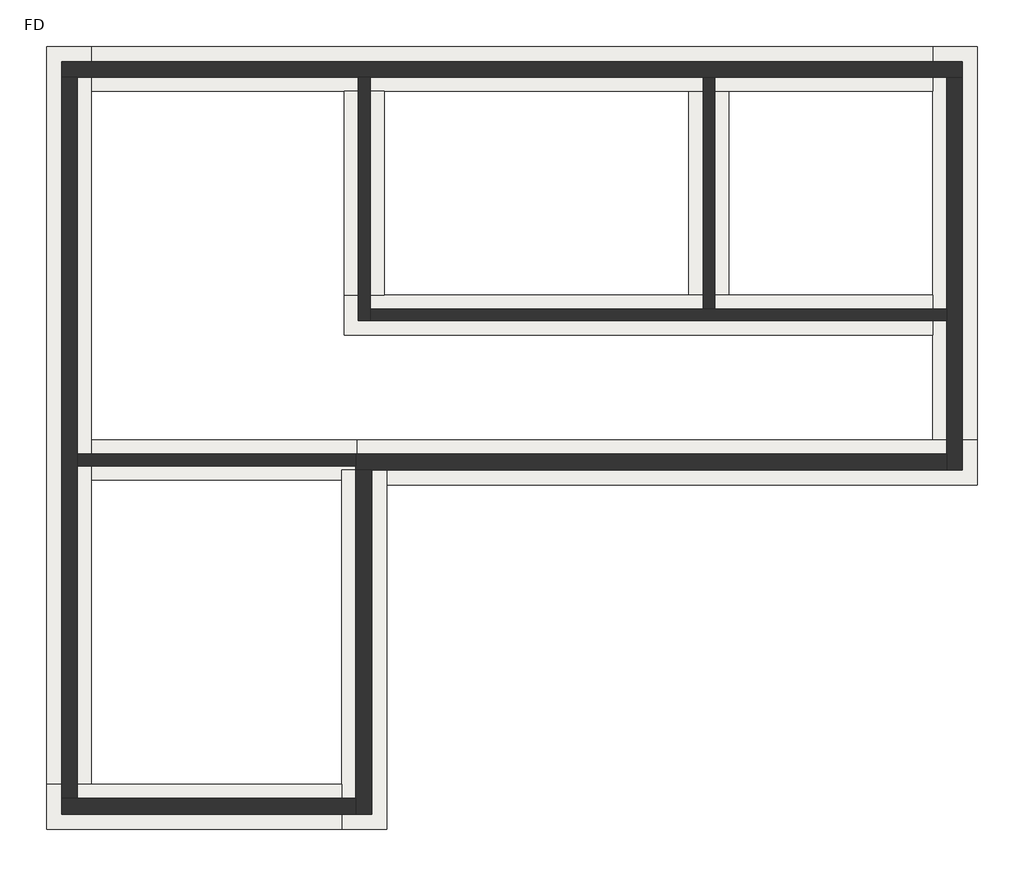
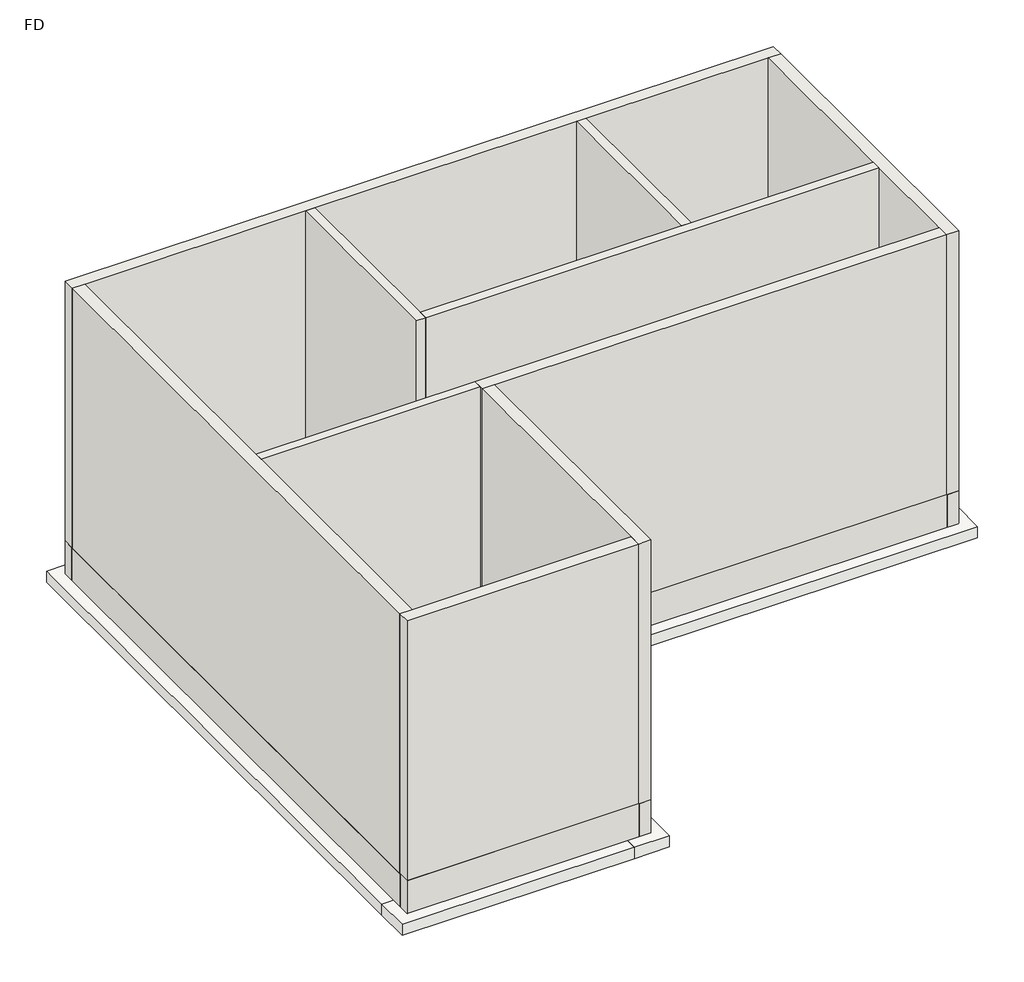
# One storey: 20 walls, 10 footings.
"""IFC4 building model written with IfcOpenShell, lengths in millimetres."""

import ifcopenshell
import ifcopenshell.guid

model = None  # the IFC model being written
_history = None  # IfcOwnerHistory: only IFC2X3 demands one
_inside = {}  # id of a spatial element -> (the spatial element, [elements in it])
_under = {}  # id of a project, library or spatial element -> (it, [spatial elements below it])
_declared = {}  # id of a project -> (the project, [libraries it declares])
_typed = {}  # id of a type object -> (the type object, [elements of that type])
_made_of = {}  # id of a material, layer set ... -> (it, [elements and type objects made of it])


def new_model(schema):
    """Start an empty IFC model of exactly this schema.

    Asked for "IFC4X3", IfcOpenShell would pick the latest addendum, in which some entities
    have other attributes; the version numbers below select the first issue.
    IFC2X3 requires an IfcOwnerHistory on every rooted entity: one is made here for all.
    """
    global model, _history
    if schema == "IFC4X3":
        model = ifcopenshell.file(schema_version=(4, 3, 0, 0))
    else:
        model = ifcopenshell.file(schema=schema)
    _inside.clear()
    _under.clear()
    _declared.clear()
    _typed.clear()
    _made_of.clear()
    _history = None
    if model.schema == "IFC2X3":
        org = make("IfcOrganization", Name="unknown")
        user = make(
            "IfcPersonAndOrganization",
            ThePerson=make("IfcPerson", FamilyName="unknown"),
            TheOrganization=org,
        )
        app = make(
            "IfcApplication",
            ApplicationDeveloper=org,
            Version="unknown",
            ApplicationFullName="unknown",
            ApplicationIdentifier="unknown",
        )
        _history = make(
            "IfcOwnerHistory",
            OwningUser=user,
            OwningApplication=app,
            ChangeAction="ADDED",
            CreationDate=0,
        )
    return model


def make(cls, **values):
    """One entity of the class cls with the attributes given. An attribute that is None is left unset."""
    return model.create_entity(
        cls, **{name: value for name, value in values.items() if value is not None}
    )


def rooted(cls, **values):
    """An entity with a GlobalId (a new one), such as an element, a storey or a relation."""
    return make(cls, GlobalId=ifcopenshell.guid.new(), OwnerHistory=_history, **values)


def si_unit(unit_type, name, prefix=None):
    """IfcSIUnit, for example si_unit("LENGTHUNIT", "METRE", prefix="MILLI")."""
    return make("IfcSIUnit", UnitType=unit_type, Prefix=prefix, Name=name)


def assignment(units):
    """IfcUnitAssignment: the units of a project."""
    return None if units is None else make("IfcUnitAssignment", Units=units)


def point(xyz):
    """IfcCartesianPoint."""
    return None if xyz is None else make("IfcCartesianPoint", Coordinates=xyz)


def direction(xyz):
    """IfcDirection."""
    return None if xyz is None else make("IfcDirection", DirectionRatios=xyz)


def frame(location, z_axis=None, x_axis=None):
    """IfcAxis2Placement3D, a coordinate frame: its origin and axes. An axis left out is left unset."""
    return make(
        "IfcAxis2Placement3D",
        Location=point(location),
        Axis=direction(z_axis),
        RefDirection=direction(x_axis),
    )


def origin():
    """The frame at (0, 0, 0) with its axes left unset."""
    return frame((0.0, 0.0, 0.0))


def origin_with_axes():
    """The frame at (0, 0, 0) with the z axis (0, 0, 1) and the x axis (1, 0, 0) written out."""
    return frame((0.0, 0.0, 0.0), z_axis=(0.0, 0.0, 1.0), x_axis=(1.0, 0.0, 0.0))


def place(relative_to, where):
    """IfcLocalPlacement: puts the frame where relative to a parent placement (None: the world)."""
    return make(
        "IfcLocalPlacement", PlacementRelTo=relative_to, RelativePlacement=where
    )


def context(
    kind, dimensions, precision=None, world=None, true_north=None, identifier=None
):
    """IfcGeometricRepresentationContext, for example the 3D "Model" context."""
    return make(
        "IfcGeometricRepresentationContext",
        ContextIdentifier=identifier,
        ContextType=kind,
        CoordinateSpaceDimension=dimensions,
        Precision=precision,
        WorldCoordinateSystem=world,
        TrueNorth=true_north,
    )


def project(units=None, contexts=None):
    """IfcProject with its units and contexts."""
    return rooted(
        "IfcProject",
        Name="project",
        RepresentationContexts=contexts,
        UnitsInContext=assignment(units),
    )


def spatial(cls, under=None, at=None, **own):
    """A site, building, storey or space (cls), placed at a placement, below another one or the project."""
    s = rooted(cls, ObjectPlacement=at, **own)
    if under is not None:
        _under.setdefault(under.id(), (under, []))[1].append(s)
    return s


def polyline(points):
    """IfcPolyline through the points."""
    return make("IfcPolyline", Points=[point(p) for p in points])


def outline(outer, holes=None, kind="AREA"):
    """IfcArbitraryClosedProfileDef: a profile drawn as a closed curve; with holes, ...WithVoids."""
    if holes is None:
        return make("IfcArbitraryClosedProfileDef", ProfileType=kind, OuterCurve=outer)
    return make(
        "IfcArbitraryProfileDefWithVoids",
        ProfileType=kind,
        OuterCurve=outer,
        InnerCurves=holes,
    )


def extrude(swept, where, along, depth):
    """IfcExtrudedAreaSolid: the profile swept, set in the frame where, extruded along a direction by depth."""
    return make(
        "IfcExtrudedAreaSolid",
        SweptArea=swept,
        Position=where,
        ExtrudedDirection=direction(along),
        Depth=depth,
    )


def faces_of(points, faces, orient=None, outer=None):
    """IfcFace entities. A face is a list of loops; a loop is a list of indices into points, from 0.

    orient and outer hold one flag for each loop. By default every Orientation is true, the
    first loop of a face is its IfcFaceOuterBound and the others are IfcFaceBound.
    """
    made = []
    for i, loops in enumerate(faces):
        bounds = []
        for j, loop in enumerate(loops):
            is_outer = j == 0 if outer is None else outer[i][j]
            bounds.append(
                make(
                    "IfcFaceOuterBound" if is_outer else "IfcFaceBound",
                    Bound=make("IfcPolyLoop", Polygon=[points[k] for k in loop]),
                    Orientation=True if orient is None else orient[i][j],
                )
            )
        made.append(make("IfcFace", Bounds=bounds))
    return made


def faceted_brep(points, faces, orient=None, outer=None, voids=None):
    """IfcFacetedBrep: a solid bounded by flat faces; with voids (closed shells), ...WithVoids."""
    shared = [point(p) for p in points]
    hull = make("IfcClosedShell", CfsFaces=faces_of(shared, faces, orient, outer))
    if voids is None:
        return make("IfcFacetedBrep", Outer=hull)
    return make(
        "IfcFacetedBrepWithVoids",
        Outer=hull,
        Voids=[
            make(cls, CfsFaces=faces_of(shared, fs, o, b)) for cls, fs, o, b in voids
        ],
    )


def shape(context_of_items, identifier, shape_type, items):
    """IfcShapeRepresentation: the items that make up one representation, for example the "Body"."""
    return make(
        "IfcShapeRepresentation",
        ContextOfItems=context_of_items,
        RepresentationIdentifier=identifier,
        RepresentationType=shape_type,
        Items=items,
    )


def made_of(thing, what):
    """Note that an element or type object is made of a material, layer set ...; save() writes the relation."""
    if what is not None:
        _made_of.setdefault(what.id(), (what, []))[1].append(thing)
    return thing


def element(
    cls,
    number,
    at=None,
    inside=None,
    cuts=None,
    type_object=None,
    material=None,
    context=None,
    identifier="Body",
    shape_type=None,
    held_by="IfcProductDefinitionShape",
    body=None,
    shapes=None,
    **own,
):
    """One element of the class cls, such as IfcWall. Its Tag is "e" and its number.

    at: its placement. inside: the storey or other place that contains it. cuts: it is an
    opening in that element (IfcRelVoidsElement). A single representation is given by context,
    identifier, shape_type and body (its items); several are given by shapes. held_by: the class
    of the entity that holds the representations. save() writes the other relations.
    """
    e = rooted(cls, Tag="e%d" % number, ObjectPlacement=at, **own)
    if body is not None:
        shapes = [shape(context, identifier, shape_type, body)]
    if shapes is not None:
        e.Representation = make(held_by, Representations=shapes)
    if inside is not None:
        _inside.setdefault(inside.id(), (inside, []))[1].append(e)
    if cuts is not None:
        rooted(
            "IfcRelVoidsElement", RelatingBuildingElement=cuts, RelatedOpeningElement=e
        )
    if type_object is not None:
        _typed.setdefault(type_object.id(), (type_object, []))[1].append(e)
    return made_of(e, material)


def aggregate(whole, parts):
    """IfcRelAggregates: a whole, such as a stair, and the parts it consists of."""
    return rooted("IfcRelAggregates", RelatingObject=whole, RelatedObjects=parts)


def save(model, path):
    """Write the relations noted so far, then the file.

    IfcRelAggregates (storeys below a building ...), IfcRelContainedInSpatialStructure (elements
    in a storey), IfcRelDefinesByType, IfcRelAssociatesMaterial and IfcRelDeclares: one each for
    every whole, place, type object, material and project.
    """
    for whole, parts in _under.values():
        aggregate(whole, parts)
    for where, things in _inside.values():
        rooted(
            "IfcRelContainedInSpatialStructure",
            RelatedElements=things,
            RelatingStructure=where,
        )
    for kind, things in _typed.values():
        rooted("IfcRelDefinesByType", RelatedObjects=things, RelatingType=kind)
    for what, things in _made_of.values():
        rooted("IfcRelAssociatesMaterial", RelatedObjects=things, RelatingMaterial=what)
    for by, libraries in _declared.values():
        rooted("IfcRelDeclares", RelatingContext=by, RelatedDefinitions=libraries)
    model.write(path)


model = new_model("IFC4")

# Units and contexts
model_context = context("Model", 3, world=origin())
ifc_project = project(units=[si_unit("LENGTHUNIT", "METRE", prefix="MILLI")], contexts=[model_context])

# Site, building, storey
site = spatial("IfcSite", under=ifc_project)
building = spatial("IfcBuilding", under=site)
storey = spatial("IfcBuildingStorey", under=building, Name="FD", Elevation=-900.0)

# Footings
placement = place(None, origin())
element("IfcFooting", 1, at=placement, inside=storey, context=model_context, shape_type="Brep", body=[
    faceted_brep([(-1863.2627151, -1245.6376025, -900.0), (-1558.4627151, -1245.6376025, -900.0), (-953.6627151, -1245.6376025, -900.0), (-953.6627151, -1245.6376025, -1204.8), (-1558.4627151, -1245.6376025, -1204.8), (-1863.2627151, -1245.6376025, -1204.8), (-1863.2627151, -1450.4376025, -900.0), (-1863.2627151, -7640.8376025, -900.0), (-1863.2627151, -8550.4376025, -900.0), (-953.6627151, -8550.4376025, -900.0), (-953.6627151, -1550.4376025, -900.0), (-953.6627151, -8550.4376025, -1204.8), (-953.6627151, -1550.4376025, -1204.8), (-1863.2627151, -8550.4376025, -1204.8), (-1863.2627151, -7640.8376025, -1204.8), (-1863.2627151, -1450.4376025, -1204.8)], [[[0, 1, 2, 3, 4, 5]], [[0, 6, 7, 8, 9, 10, 2, 1]], [[3, 2, 10, 9, 11, 12]], [[5, 4, 3, 12, 11, 13, 14, 15]], [[0, 5, 15, 14, 13, 8, 7, 6]], [[9, 8, 13, 11]]]),
])
element("IfcFooting", 2, at=placement, inside=storey, context=model_context, shape_type="Brep", body=[
    faceted_brep([(-7863.2627151, -7640.8376025, -900.0), (-7863.2627151, -8550.4376025, -900.0), (-1863.2627151, -8550.4376025, -900.0), (-1863.2627151, -7640.8376025, -900.0), (-6953.6627151, -7640.8376025, -900.0), (-7863.2627151, -8550.4376025, -1204.8), (-1863.2627151, -8550.4376025, -1204.8), (-7863.2627151, -7640.8376025, -1204.8), (-6953.6627151, -7640.8376025, -1204.8), (-1863.2627151, -7640.8376025, -1204.8)], [[[0, 1, 2, 3, 4]], [[1, 5, 6, 2]], [[5, 7, 8, 9, 6]], [[7, 0, 4, 3, 9, 8]], [[3, 2, 6, 9]], [[1, 0, 7, 5]]]),
])
element("IfcFooting", 3, at=placement, inside=storey, context=model_context, shape_type="Brep", body=[
    faceted_brep([(-6953.6627151, 7359.1623975, -900.0), (-7863.2627151, 7359.1623975, -900.0), (-7863.2627151, -7640.8376025, -900.0), (-6953.6627151, -7640.8376025, -900.0), (-6953.6627151, -1450.4376025, -900.0), (-6953.6627151, -640.8376025, -900.0), (-6953.6627151, 6449.5623975, -900.0), (-7863.2627151, 7359.1623975, -1204.8), (-7863.2627151, -7640.8376025, -1204.8), (-6953.6627151, 7359.1623975, -1204.8), (-6953.6627151, 6449.5623975, -1204.8), (-6953.6627151, -640.8376025, -1204.8), (-6953.6627151, -1450.4376025, -1204.8), (-6953.6627151, -7640.8376025, -1204.8)], [[[0, 1, 2, 3, 4, 5, 6]], [[1, 7, 8, 2]], [[7, 9, 10, 11, 12, 13, 8]], [[9, 0, 6, 5, 4, 3, 13, 12, 11, 10]], [[3, 2, 8, 13]], [[1, 0, 9, 7]]]),
])
element("IfcFooting", 4, at=placement, inside=storey, context=model_context, shape_type="SweptSolid", body=[
    extrude(outline(polyline([(-6953.6627151, -640.8376025), (-1558.4627151, -640.8376025), (-1558.4627151, -1245.6376025), (-1863.2627151, -1245.6376025), (-1863.2627151, -1450.4376025), (-6953.6627151, -1450.4376025), (-6953.6627151, -640.8376025)])), frame((0.0, 0.0, -1204.8), z_axis=(0.0, 0.0, 1.0), x_axis=(1.0, 0.0, 0.0)), (0.0, 0.0, 1.0), 304.8),
])
element("IfcFooting", 5, at=placement, inside=storey, context=model_context, shape_type="Brep", body=[
    faceted_brep([(-1558.4627151, -640.8376025, -900.0), (-1558.4627151, -640.8376025, -1204.8), (-1558.4627151, -1245.6376025, -1204.8), (-1558.4627151, -1245.6376025, -900.0), (11046.3372849, -640.8376025, -900.0), (10136.7372849, -640.8376025, -900.0), (-953.6627151, -1245.6376025, -900.0), (-953.6627151, -1550.4376025, -900.0), (11046.3372849, -1550.4376025, -900.0), (11046.3372849, -1550.4376025, -1204.8), (-953.6627151, -1550.4376025, -1204.8), (10136.7372849, -640.8376025, -1204.8), (11046.3372849, -640.8376025, -1204.8), (-953.6627151, -1245.6376025, -1204.8)], [[[0, 1, 2, 3]], [[4, 5, 0, 3, 6, 7, 8]], [[9, 8, 7, 10]], [[1, 11, 12, 9, 10, 13, 2]], [[1, 0, 5, 4, 12, 11]], [[13, 6, 3, 2]], [[6, 13, 10, 7]], [[4, 8, 9, 12]]]),
])
element("IfcFooting", 6, at=placement, inside=storey, context=model_context, shape_type="Brep", body=[
    faceted_brep([(11046.3372849, 7359.1623975, -900.0), (10136.7372849, 7359.1623975, -900.0), (10136.7372849, 6449.5623975, -900.0), (10136.7372849, 2309.1623975, -900.0), (10136.7372849, 1499.5623975, -900.0), (10136.7372849, -640.8376025, -900.0), (11046.3372849, -640.8376025, -900.0), (11046.3372849, 7359.1623975, -1204.8), (11046.3372849, -640.8376025, -1204.8), (10136.7372849, 7359.1623975, -1204.8), (10136.7372849, -640.8376025, -1204.8), (10136.7372849, 1499.5623975, -1204.8), (10136.7372849, 2309.1623975, -1204.8), (10136.7372849, 6449.5623975, -1204.8)], [[[0, 1, 2, 3, 4, 5, 6]], [[7, 0, 6, 8]], [[9, 7, 8, 10, 11, 12, 13]], [[1, 9, 13, 12, 11, 10, 5, 4, 3, 2]], [[6, 5, 10, 8]], [[1, 0, 7, 9]]]),
])
element("IfcFooting", 7, at=placement, inside=storey, context=model_context, shape_type="Brep", body=[
    faceted_brep([(-1813.2627151, 1499.5623975, -900.0), (10136.7372849, 1499.5623975, -900.0), (10136.7372849, 2309.1623975, -900.0), (5996.3372849, 2309.1623975, -900.0), (5186.7372849, 2309.1623975, -900.0), (-1003.6627151, 2309.1623975, -900.0), (-1813.2627151, 2309.1623975, -900.0), (-1813.2627151, 2309.1623975, -1204.8), (10136.7372849, 2309.1623975, -1204.8), (5996.3372849, 2309.1623975, -1204.8), (5186.7372849, 2309.1623975, -1204.8), (-1003.6627151, 2309.1623975, -1204.8), (-1813.2627151, 1499.5623975, -1204.8), (10136.7372849, 1499.5623975, -1204.8)], [[[0, 1, 2, 3, 4, 5, 6]], [[7, 6, 5, 4, 3, 2, 8, 9, 10, 11]], [[12, 7, 11, 10, 9, 8, 13]], [[0, 12, 13, 1]], [[2, 1, 13, 8]], [[0, 6, 7, 12]]]),
])
element("IfcFooting", 8, at=placement, inside=storey, context=model_context, shape_type="SweptSolid", body=[
    extrude(outline(polyline([(5186.7372849, 6449.5623975), (5996.3372849, 6449.5623975), (5996.3372849, 2309.1623975), (5186.7372849, 2309.1623975), (5186.7372849, 6449.5623975)])), frame((0.0, 0.0, -1204.8), z_axis=(0.0, 0.0, 1.0), x_axis=(1.0, 0.0, 0.0)), (0.0, 0.0, 1.0), 304.8),
])
element("IfcFooting", 9, at=placement, inside=storey, context=model_context, shape_type="SweptSolid", body=[
    extrude(outline(polyline([(-1813.2627151, 6449.5623975), (-1003.6627151, 6449.5623975), (-1003.6627151, 2309.1623975), (-1813.2627151, 2309.1623975), (-1813.2627151, 6449.5623975)])), frame((0.0, 0.0, -1204.8), z_axis=(0.0, 0.0, 1.0), x_axis=(1.0, 0.0, 0.0)), (0.0, 0.0, 1.0), 304.8),
])
element("IfcFooting", 10, at=placement, inside=storey, context=model_context, shape_type="Brep", body=[
    faceted_brep([(-6953.6627151, 7359.1623975, -900.0), (-6953.6627151, 6449.5623975, -900.0), (-1813.2627151, 6449.5623975, -900.0), (-1003.6627151, 6449.5623975, -900.0), (5186.7372849, 6449.5623975, -900.0), (5996.3372849, 6449.5623975, -900.0), (10136.7372849, 6449.5623975, -900.0), (10136.7372849, 7359.1623975, -900.0), (-6953.6627151, 7359.1623975, -1204.8), (10136.7372849, 7359.1623975, -1204.8), (-6953.6627151, 6449.5623975, -1204.8), (10136.7372849, 6449.5623975, -1204.8), (5996.3372849, 6449.5623975, -1204.8), (5186.7372849, 6449.5623975, -1204.8), (-1003.6627151, 6449.5623975, -1204.8), (-1813.2627151, 6449.5623975, -1204.8)], [[[0, 1, 2, 3, 4, 5, 6, 7]], [[8, 0, 7, 9]], [[10, 8, 9, 11, 12, 13, 14, 15]], [[1, 10, 15, 14, 13, 12, 11, 6, 5, 4, 3, 2]], [[1, 0, 8, 10]], [[7, 6, 11, 9]]]),
])

# Walls
element("IfcWall", 11, at=placement, inside=storey, context=model_context, shape_type="Brep", body=[
    faceted_brep([(-7558.4627151, 6754.3623975, -900.0), (-7258.4627151, 6754.3623975, -900.0), (-1508.4627151, 6754.3623975, -900.0), (-1308.4627151, 6754.3623975, -900.0), (5491.5372849, 6754.3623975, -900.0), (5691.5372849, 6754.3623975, -900.0), (10441.5372849, 6754.3623975, -900.0), (10741.5372849, 6754.3623975, -900.0), (10741.5372849, 6754.3623975, 0.0), (10441.5372849, 6754.3623975, 0.0), (5691.5372849, 6754.3623975, 0.0), (5491.5372849, 6754.3623975, 0.0), (-1308.4627151, 6754.3623975, 0.0), (-1508.4627151, 6754.3623975, 0.0), (-7258.4627151, 6754.3623975, 0.0), (-7558.4627151, 6754.3623975, 0.0), (-7558.4627151, 7054.3623975, -900.0), (-7558.4627151, 7054.3623975, 0.0), (10741.5372849, 7054.3623975, 0.0), (10741.5372849, 7054.3623975, -900.0)], [[[0, 1, 2, 3, 4, 5, 6, 7, 8, 9, 10, 11, 12, 13, 14, 15]], [[16, 17, 18, 19]], [[7, 6, 5, 4, 3, 2, 1, 0, 16, 19]], [[15, 14, 13, 12, 11, 10, 9, 8, 18, 17]], [[8, 7, 19, 18]], [[0, 15, 17, 16]]]),
])
element("IfcWall", 12, at=placement, inside=storey, context=model_context, shape_type="Brep", body=[
    faceted_brep([(-7558.4627151, 6734.3623975, 0.0), (-7238.4627151, 6734.3623975, 0.0), (-1528.4627151, 6734.3623975, 0.0), (-1288.4627151, 6734.3623975, 0.0), (5471.5372849, 6734.3623975, 0.0), (5711.5372849, 6734.3623975, 0.0), (10421.5372849, 6734.3623975, 0.0), (10741.5372849, 6734.3623975, 0.0), (10741.5372849, 6734.3623975, 7100.0), (10421.5372849, 6734.3623975, 7100.0), (5711.5372849, 6734.3623975, 7100.0), (5471.5372849, 6734.3623975, 7100.0), (-1288.4627151, 6734.3623975, 7100.0), (-1528.4627151, 6734.3623975, 7100.0), (-7238.4627151, 6734.3623975, 7100.0), (-7558.4627151, 6734.3623975, 7100.0), (-7558.4627151, 7054.3623975, 0.0), (-7558.4627151, 7054.3623975, 7100.0), (10741.5372849, 7054.3623975, 7100.0), (10741.5372849, 7054.3623975, 0.0), (-7558.4627151, 6754.3623975, 0.0), (10741.5372849, 6754.3623975, 0.0)], [[[0, 1, 2, 3, 4, 5, 6, 7, 8, 9, 10, 11, 12, 13, 14, 15]], [[16, 17, 18, 19]], [[7, 6, 5, 4, 3, 2, 1, 0, 20, 16, 19, 21]], [[15, 14, 13, 12, 11, 10, 9, 8, 18, 17]], [[8, 7, 21, 19, 18]], [[0, 15, 17, 16, 20]]]),
])
element("IfcWall", 13, at=placement, inside=storey, context=model_context, shape_type="Brep", body=[
    faceted_brep([(10441.5372849, 6754.3623975, -900.0), (10441.5372849, 2004.3623975, -900.0), (10441.5372849, 1804.3623975, -900.0), (10441.5372849, -945.6376025, -900.0), (10441.5372849, -1245.6376025, -900.0), (10441.5372849, -1245.6376025, 0.0), (10441.5372849, -945.6376025, 0.0), (10441.5372849, 1804.3623975, 0.0), (10441.5372849, 2004.3623975, 0.0), (10441.5372849, 6754.3623975, 0.0), (10741.5372849, 6754.3623975, -900.0), (10741.5372849, 6754.3623975, 0.0), (10741.5372849, 6734.3623975, 0.0), (10741.5372849, -1245.6376025, 0.0), (10741.5372849, -1245.6376025, -900.0)], [[[0, 1, 2, 3, 4, 5, 6, 7, 8, 9]], [[10, 11, 12, 13, 14]], [[4, 3, 2, 1, 0, 10, 14]], [[9, 8, 7, 6, 5, 13, 12, 11]], [[0, 9, 11, 10]], [[5, 4, 14, 13]]]),
])
element("IfcWall", 14, at=placement, inside=storey, context=model_context, shape_type="Brep", body=[
    faceted_brep([(10421.5372849, 6734.3623975, 0.0), (10421.5372849, 2024.3623975, 0.0), (10421.5372849, 1784.3623975, 0.0), (10421.5372849, -925.6376025, 0.0), (10421.5372849, -1245.6376025, 0.0), (10421.5372849, -1245.6376025, 7100.0), (10421.5372849, -925.6376025, 7100.0), (10421.5372849, 1784.3623975, 7100.0), (10421.5372849, 2024.3623975, 7100.0), (10421.5372849, 6734.3623975, 7100.0), (10741.5372849, 6734.3623975, 0.0), (10741.5372849, 6734.3623975, 7100.0), (10741.5372849, -1245.6376025, 7100.0), (10741.5372849, -1245.6376025, 0.0), (10441.5372849, -1245.6376025, 0.0)], [[[0, 1, 2, 3, 4, 5, 6, 7, 8, 9]], [[10, 11, 12, 13]], [[4, 3, 2, 1, 0, 10, 13, 14]], [[9, 8, 7, 6, 5, 12, 11]], [[0, 9, 11, 10]], [[5, 4, 14, 13, 12]]]),
])
element("IfcWall", 15, at=placement, inside=storey, context=model_context, shape_type="Brep", body=[
    faceted_brep([(10441.5372849, -945.6376025, -900.0), (-1558.4627151, -945.6376025, -900.0), (-1558.4627151, -945.6376025, 0.0), (10441.5372849, -945.6376025, 0.0), (10441.5372849, -1245.6376025, -900.0), (10441.5372849, -1245.6376025, 0.0), (10421.5372849, -1245.6376025, 0.0), (-1258.4627151, -1245.6376025, 0.0), (-1558.4627151, -1245.6376025, 0.0), (-1558.4627151, -1245.6376025, -900.0), (-1258.4627151, -1245.6376025, -900.0), (-1558.4627151, -1145.6376025, -900.0), (-1558.4627151, -1145.6376025, 0.0)], [[[0, 1, 2, 3]], [[4, 5, 6, 7, 8, 9, 10]], [[1, 0, 4, 10, 9, 11]], [[3, 2, 12, 8, 7, 6, 5]], [[0, 3, 5, 4]], [[2, 1, 11, 9, 8, 12]]]),
])
element("IfcWall", 16, at=placement, inside=storey, context=model_context, shape_type="Brep", body=[
    faceted_brep([(10421.5372849, -925.6376025, 0.0), (-1578.4627151, -925.6376025, 0.0), (-1578.4627151, -925.6376025, 7100.0), (10421.5372849, -925.6376025, 7100.0), (10421.5372849, -1245.6376025, 0.0), (10421.5372849, -1245.6376025, 7100.0), (-1258.4627151, -1245.6376025, 7100.0), (-1578.4627151, -1245.6376025, 7100.0), (-1578.4627151, -1245.6376025, 0.0), (-1558.4627151, -1245.6376025, 0.0), (-1258.4627151, -1245.6376025, 0.0), (-1578.4627151, -1165.6376025, 0.0), (-1578.4627151, -1165.6376025, 7100.0)], [[[0, 1, 2, 3]], [[4, 5, 6, 7, 8, 9, 10]], [[1, 0, 4, 10, 9, 8, 11]], [[3, 2, 12, 7, 6, 5]], [[0, 3, 5, 4]], [[2, 1, 11, 8, 7, 12]]]),
])
element("IfcWall", 17, at=placement, inside=storey, context=model_context, shape_type="Brep", body=[
    faceted_brep([(-1558.4627151, -1245.6376025, -900.0), (-1558.4627151, -7945.6376025, -900.0), (-1558.4627151, -8245.6376025, -900.0), (-1558.4627151, -8245.6376025, 0.0), (-1558.4627151, -7945.6376025, 0.0), (-1558.4627151, -1245.6376025, 0.0), (-1258.4627151, -1245.6376025, -900.0), (-1258.4627151, -1245.6376025, 0.0), (-1258.4627151, -8245.6376025, 0.0), (-1258.4627151, -8245.6376025, -900.0)], [[[0, 1, 2, 3, 4, 5]], [[6, 7, 8, 9]], [[2, 1, 0, 6, 9]], [[5, 4, 3, 8, 7]], [[0, 5, 7, 6]], [[3, 2, 9, 8]]]),
])
element("IfcWall", 18, at=placement, inside=storey, context=model_context, shape_type="Brep", body=[
    faceted_brep([(-1578.4627151, -1245.6376025, 0.0), (-1578.4627151, -7925.6376025, 0.0), (-1578.4627151, -8245.6376025, 0.0), (-1578.4627151, -8245.6376025, 7100.0), (-1578.4627151, -7925.6376025, 7100.0), (-1578.4627151, -1245.6376025, 7100.0), (-1258.4627151, -1245.6376025, 0.0), (-1258.4627151, -1245.6376025, 7100.0), (-1258.4627151, -8245.6376025, 7100.0), (-1258.4627151, -8245.6376025, 0.0), (-1558.4627151, -1245.6376025, 0.0), (-1558.4627151, -8245.6376025, 0.0)], [[[0, 1, 2, 3, 4, 5]], [[6, 7, 8, 9]], [[2, 1, 0, 10, 6, 9, 11]], [[5, 4, 3, 8, 7]], [[0, 5, 7, 6, 10]], [[3, 2, 11, 9, 8]]]),
])
element("IfcWall", 19, at=placement, inside=storey, context=model_context, shape_type="Brep", body=[
    faceted_brep([(-1558.4627151, -7945.6376025, -900.0), (-7258.4627151, -7945.6376025, -900.0), (-7558.4627151, -7945.6376025, -900.0), (-7558.4627151, -7945.6376025, 0.0), (-7258.4627151, -7945.6376025, 0.0), (-1558.4627151, -7945.6376025, 0.0), (-1558.4627151, -8245.6376025, -900.0), (-1558.4627151, -8245.6376025, 0.0), (-1578.4627151, -8245.6376025, 0.0), (-7558.4627151, -8245.6376025, 0.0), (-7558.4627151, -8245.6376025, -900.0)], [[[0, 1, 2, 3, 4, 5]], [[6, 7, 8, 9, 10]], [[2, 1, 0, 6, 10]], [[5, 4, 3, 9, 8, 7]], [[0, 5, 7, 6]], [[3, 2, 10, 9]]]),
])
element("IfcWall", 20, at=placement, inside=storey, context=model_context, shape_type="Brep", body=[
    faceted_brep([(-1578.4627151, -7925.6376025, 0.0), (-7238.4627151, -7925.6376025, 0.0), (-7558.4627151, -7925.6376025, 0.0), (-7558.4627151, -7925.6376025, 7100.0), (-7238.4627151, -7925.6376025, 7100.0), (-1578.4627151, -7925.6376025, 7100.0), (-1578.4627151, -8245.6376025, 0.0), (-1578.4627151, -8245.6376025, 7100.0), (-7558.4627151, -8245.6376025, 7100.0), (-7558.4627151, -8245.6376025, 0.0), (-7558.4627151, -7945.6376025, 0.0)], [[[0, 1, 2, 3, 4, 5]], [[6, 7, 8, 9]], [[2, 1, 0, 6, 9, 10]], [[5, 4, 3, 8, 7]], [[0, 5, 7, 6]], [[3, 2, 10, 9, 8]]]),
])
element("IfcWall", 21, at=placement, inside=storey, context=model_context, shape_type="Brep", body=[
    faceted_brep([(-7258.4627151, -7945.6376025, -900.0), (-7258.4627151, -1145.6376025, -900.0), (-7258.4627151, -945.6376025, -900.0), (-7258.4627151, 6754.3623975, -900.0), (-7258.4627151, 6754.3623975, 0.0), (-7258.4627151, -945.6376025, 0.0), (-7258.4627151, -1145.6376025, 0.0), (-7258.4627151, -7945.6376025, 0.0), (-7558.4627151, -7945.6376025, -900.0), (-7558.4627151, -7945.6376025, 0.0), (-7558.4627151, -7925.6376025, 0.0), (-7558.4627151, 6734.3623975, 0.0), (-7558.4627151, 6754.3623975, 0.0), (-7558.4627151, 6754.3623975, -900.0)], [[[0, 1, 2, 3, 4, 5, 6, 7]], [[8, 9, 10, 11, 12, 13]], [[3, 2, 1, 0, 8, 13]], [[7, 6, 5, 4, 12, 11, 10, 9]], [[4, 3, 13, 12]], [[0, 7, 9, 8]]]),
])
element("IfcWall", 22, at=placement, inside=storey, context=model_context, shape_type="Brep", body=[
    faceted_brep([(-7238.4627151, -7925.6376025, 0.0), (-7238.4627151, -1165.6376025, 0.0), (-7238.4627151, -925.6376025, 0.0), (-7238.4627151, 6734.3623975, 0.0), (-7238.4627151, 6734.3623975, 7100.0), (-7238.4627151, -925.6376025, 7100.0), (-7238.4627151, -1165.6376025, 7100.0), (-7238.4627151, -7925.6376025, 7100.0), (-7558.4627151, -7925.6376025, 0.0), (-7558.4627151, -7925.6376025, 7100.0), (-7558.4627151, 6734.3623975, 7100.0), (-7558.4627151, 6734.3623975, 0.0)], [[[0, 1, 2, 3, 4, 5, 6, 7]], [[8, 9, 10, 11]], [[3, 2, 1, 0, 8, 11]], [[7, 6, 5, 4, 10, 9]], [[4, 3, 11, 10]], [[0, 7, 9, 8]]]),
])
element("IfcWall", 23, at=placement, inside=storey, context=model_context, shape_type="Brep", body=[
    faceted_brep([(-1508.4627151, 6754.3623975, -900.0), (-1508.4627151, 1804.3623975, -900.0), (-1508.4627151, 1804.3623975, 0.0), (-1508.4627151, 6754.3623975, 0.0), (-1308.4627151, 6754.3623975, -900.0), (-1308.4627151, 6754.3623975, 0.0), (-1308.4627151, 2004.3623975, 0.0), (-1308.4627151, 1804.3623975, 0.0), (-1308.4627151, 1804.3623975, -900.0), (-1308.4627151, 2004.3623975, -900.0)], [[[0, 1, 2, 3]], [[4, 5, 6, 7, 8, 9]], [[1, 0, 4, 9, 8]], [[3, 2, 7, 6, 5]], [[0, 3, 5, 4]], [[2, 1, 8, 7]]]),
])
element("IfcWall", 24, at=placement, inside=storey, context=model_context, shape_type="Brep", body=[
    faceted_brep([(-1528.4627151, 6734.3623975, 0.0), (-1528.4627151, 1784.3623975, 0.0), (-1528.4627151, 1784.3623975, 7100.0), (-1528.4627151, 6734.3623975, 7100.0), (-1288.4627151, 6734.3623975, 0.0), (-1288.4627151, 6734.3623975, 7100.0), (-1288.4627151, 2024.3623975, 7100.0), (-1288.4627151, 1784.3623975, 7100.0), (-1288.4627151, 1784.3623975, 0.0), (-1288.4627151, 2024.3623975, 0.0)], [[[0, 1, 2, 3]], [[4, 5, 6, 7, 8, 9]], [[1, 0, 4, 9, 8]], [[3, 2, 7, 6, 5]], [[0, 3, 5, 4]], [[2, 1, 8, 7]]]),
])
element("IfcWall", 25, at=placement, inside=storey, context=model_context, shape_type="Brep", body=[
    faceted_brep([(-1308.4627151, 1804.3623975, -900.0), (10441.5372849, 1804.3623975, -900.0), (10441.5372849, 1804.3623975, 0.0), (-1308.4627151, 1804.3623975, 0.0), (-1308.4627151, 2004.3623975, -900.0), (-1308.4627151, 2004.3623975, 0.0), (5491.5372849, 2004.3623975, 0.0), (5691.5372849, 2004.3623975, 0.0), (10441.5372849, 2004.3623975, 0.0), (10441.5372849, 2004.3623975, -900.0), (5691.5372849, 2004.3623975, -900.0), (5491.5372849, 2004.3623975, -900.0)], [[[0, 1, 2, 3]], [[4, 5, 6, 7, 8, 9, 10, 11]], [[1, 0, 4, 11, 10, 9]], [[3, 2, 8, 7, 6, 5]], [[0, 3, 5, 4]], [[2, 1, 9, 8]]]),
])
element("IfcWall", 26, at=placement, inside=storey, context=model_context, shape_type="Brep", body=[
    faceted_brep([(-1288.4627151, 1784.3623975, 0.0), (10421.5372849, 1784.3623975, 0.0), (10421.5372849, 1784.3623975, 7100.0), (-1288.4627151, 1784.3623975, 7100.0), (-1288.4627151, 2024.3623975, 0.0), (-1288.4627151, 2024.3623975, 7100.0), (5471.5372849, 2024.3623975, 7100.0), (5711.5372849, 2024.3623975, 7100.0), (10421.5372849, 2024.3623975, 7100.0), (10421.5372849, 2024.3623975, 0.0), (5711.5372849, 2024.3623975, 0.0), (5471.5372849, 2024.3623975, 0.0)], [[[0, 1, 2, 3]], [[4, 5, 6, 7, 8, 9, 10, 11]], [[1, 0, 4, 11, 10, 9]], [[3, 2, 8, 7, 6, 5]], [[0, 3, 5, 4]], [[2, 1, 9, 8]]]),
])
element("IfcWall", 27, at=placement, inside=storey, context=model_context, shape_type="SweptSolid", body=[
    extrude(outline(polyline([(5491.5372849, 2004.3623975), (5491.5372849, 6754.3623975), (5691.5372849, 6754.3623975), (5691.5372849, 2004.3623975), (5491.5372849, 2004.3623975)])), frame((0.0, 0.0, -900.0), z_axis=(0.0, 0.0, 1.0), x_axis=(1.0, 0.0, 0.0)), (0.0, 0.0, 1.0), 900.0),
])
element("IfcWall", 28, at=placement, inside=storey, context=model_context, shape_type="SweptSolid", body=[
    extrude(outline(polyline([(5471.5372849, 2024.3623975), (5471.5372849, 6734.3623975), (5711.5372849, 6734.3623975), (5711.5372849, 2024.3623975), (5471.5372849, 2024.3623975)])), origin_with_axes(), (0.0, 0.0, 1.0), 7100.0),
])
element("IfcWall", 29, at=placement, inside=storey, context=model_context, shape_type="SweptSolid", body=[
    extrude(outline(polyline([(-7258.4627151, -945.6376025), (-1558.4627151, -945.6376025), (-1558.4627151, -1145.6376025), (-7258.4627151, -1145.6376025), (-7258.4627151, -945.6376025)])), frame((0.0, 0.0, -900.0), z_axis=(0.0, 0.0, 1.0), x_axis=(1.0, 0.0, 0.0)), (0.0, 0.0, 1.0), 900.0),
])
element("IfcWall", 30, at=placement, inside=storey, context=model_context, shape_type="SweptSolid", body=[
    extrude(outline(polyline([(-7238.4627151, -925.6376025), (-1578.4627151, -925.6376025), (-1578.4627151, -1165.6376025), (-7238.4627151, -1165.6376025), (-7238.4627151, -925.6376025)])), origin_with_axes(), (0.0, 0.0, 1.0), 7100.0),
])

save(model, "model.ifc")
